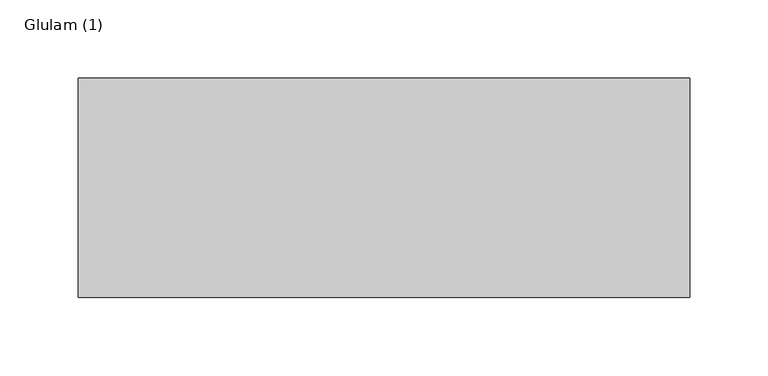
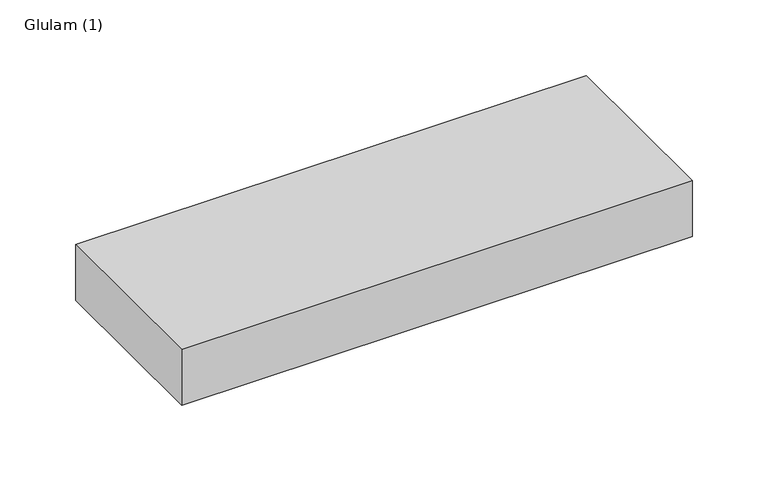
"""IFC4 building model written with IfcOpenShell, lengths in millimetres: beam geometry, Glulam (1)."""

from ifc_helpers import new_model, si_unit, frame, origin, place, context, project, spatial, polyline, outline, extrude, source, transform, mapped, element, save


def glulam_1_ed6706ad(model_context):
    return source(origin(), model_context, "Body", "SweptSolid", [
        extrude(outline(polyline([(187.5, 70.0), (187.5, -70.0), (-202.5, -70.0), (-202.5, 70.0), (187.5, 70.0)])), frame((0.0, 0.0, -22.5), z_axis=(0.0, 0.0, 1.0), x_axis=(1.0, 0.0, 0.0)), (0.0, 0.0, 1.0), 45.0),
    ])


if __name__ == "__main__":
    model = new_model("IFC4")
    model_context = context("Model", 3, world=origin())
    ifc_project = project(units=[si_unit("LENGTHUNIT", "METRE", prefix="MILLI")], contexts=[model_context])
    site = spatial("IfcSite", under=ifc_project)
    building = spatial("IfcBuilding", under=site)
    placement = place(None, origin())
    glulam_1_shape = glulam_1_ed6706ad(model_context)
    element("IfcBeam", 1, ObjectType="Glulam (1)", at=placement, inside=building, context=model_context, shape_type="MappedRepresentation", body=[
        mapped(glulam_1_shape, transform((0.0, 0.0, 0.0), x_axis=(1.0, 0.0, 0.0), y_axis=(0.0, 1.0, 0.0), z_axis=(0.0, 0.0, 1.0))),
    ])
    save(model, "model.ifc")
